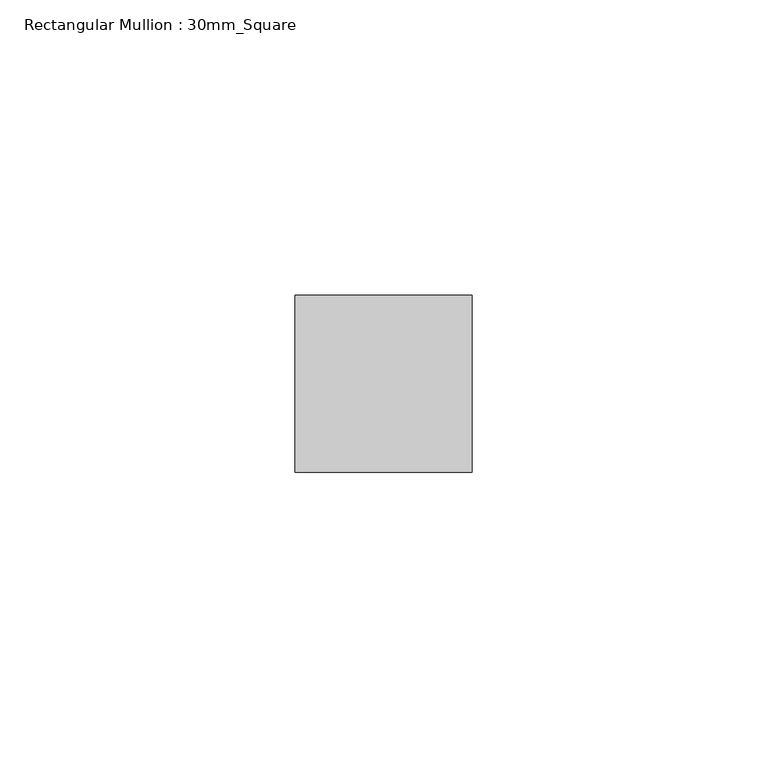
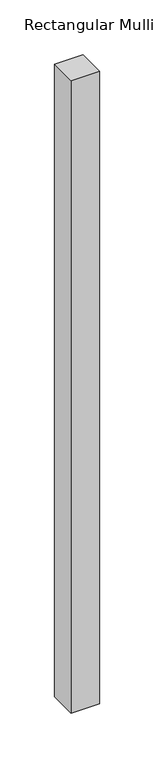
"""IFC4 building model written with IfcOpenShell, lengths in millimetres: member geometry, Rectangular Mullion : 30mm_Square."""

from ifc_helpers import new_model, si_unit, frame, origin, place, context, project, spatial, polyline, outline, extrude, source, transform, mapped, element, save


def rectangular_mullion_30mm_square_0453a934(model_context):
    return source(origin(), model_context, "Body", "SweptSolid", [
        extrude(outline(polyline([(0.0, 15.0), (0.0, -15.0), (-30.0, -15.0), (-30.0, 15.0), (0.0, 15.0)])), frame((0.0, 0.0, -704.9999997), z_axis=(0.0, 0.0, 1.0), x_axis=(1.0, 0.0, 0.0)), (0.0, 0.0, 1.0), 704.9999997),
    ])


if __name__ == "__main__":
    model = new_model("IFC4")
    model_context = context("Model", 3, world=origin())
    ifc_project = project(units=[si_unit("LENGTHUNIT", "METRE", prefix="MILLI")], contexts=[model_context])
    site = spatial("IfcSite", under=ifc_project)
    building = spatial("IfcBuilding", under=site)
    placement = place(None, origin())
    rectangular_mullion_30mm_square_shape = rectangular_mullion_30mm_square_0453a934(model_context)
    element("IfcMember", 1, ObjectType="Rectangular Mullion : 30mm_Square", at=placement, inside=building, context=model_context, shape_type="MappedRepresentation", body=[
        mapped(rectangular_mullion_30mm_square_shape, transform((0.0, 0.0, 0.0), x_axis=(1.0, 0.0, 0.0), y_axis=(0.0, 1.0, 0.0), z_axis=(0.0, 0.0, 1.0))),
    ])
    save(model, "model.ifc")
